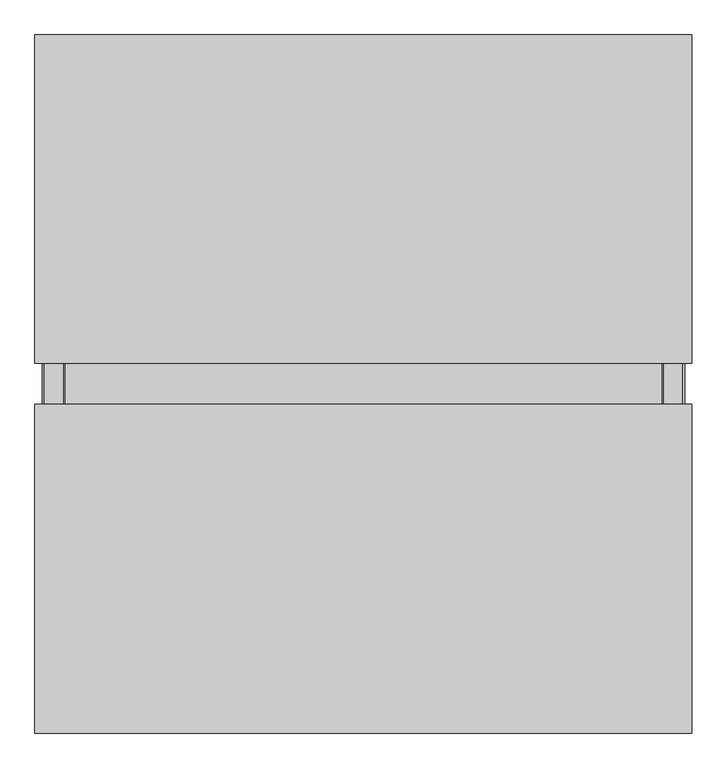
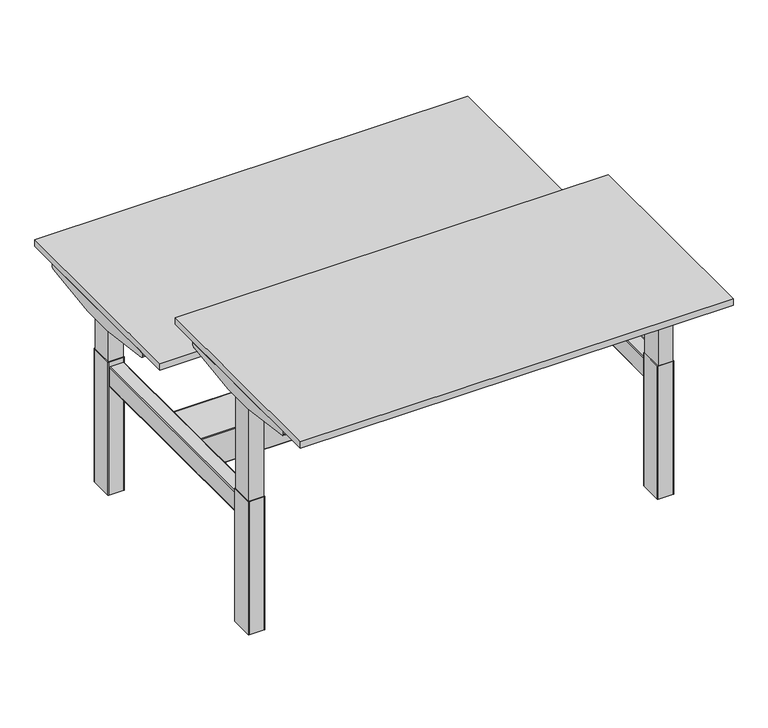
"""IFC4 building model written with IfcOpenShell, lengths in millimetres: furniture geometry."""

from ifc_helpers import new_model, si_unit, point, frame, frame_2d, origin, origin_with_axes, place, context, project, spatial, polyline, circle_curve, ellipse_curve, trimmed, segment, composite_curve, outline, extrude, source, transform, mapped, element, save
from ifc_brep_helpers import plane_surface, cylinder_surface, revolved_surface, advanced_brep


def furniture_d398310a(model_context):
    return source(origin(), model_context, "Body", "SolidModel", [
        extrude(outline(polyline([(789.3, 497.4890113), (789.3, 402.4890113), (-789.2862845, 402.4890113), (-789.2862845, 497.4890113), (789.3, 497.4890113)])), frame((0.0, 0.0, 667.9999162), z_axis=(0.0, 0.0, 1.0), x_axis=(1.0, 0.0, 0.0)), (0.0, 0.0, 1.0), 43.9052814),
        extrude(outline(polyline([(789.2996816, -402.4523074), (789.2996816, -497.4523074), (-789.2996816, -497.4523074), (-789.2996816, -402.4523074), (789.2996816, -402.4523074)])), frame((0.0, 0.0, 907.9999162), z_axis=(0.0, 0.0, 1.0), x_axis=(1.0, 0.0, 0.0)), (0.0, 0.0, 1.0), 43.9051969),
        extrude(outline(composite_curve([segment(trimmed(circle_curve(frame_2d((754.3259756, -465.4232078)), 20.0), [point((734.3259756, -465.4232078))], [point((774.3259756, -465.4232078))], False, "CARTESIAN"), True, "CONTINUOUS"), segment(trimmed(circle_curve(frame_2d((754.3259756, -465.4232078)), 20.0), [point((774.3259756, -465.4232078))], [point((734.3259756, -465.4232078))], False, "CARTESIAN"), True, "CONTINUOUS")], self_intersect=False)), origin_with_axes(), (0.0, 0.0, 1.0), 4.9999962),
        extrude(outline(composite_curve([segment(trimmed(circle_curve(frame_2d((754.3571158, 464.5429574)), 20.0), [point((734.3571158, 464.5429574))], [point((774.3571158, 464.5429574))], False, "CARTESIAN"), True, "CONTINUOUS"), segment(trimmed(circle_curve(frame_2d((754.3571158, 464.5429574)), 20.0), [point((774.3571158, 464.5429574))], [point((734.3571158, 464.5429574))], False, "CARTESIAN"), True, "CONTINUOUS")], self_intersect=False)), origin_with_axes(), (0.0, 0.0, 1.0), 4.9999962),
        extrude(outline(composite_curve([segment(trimmed(circle_curve(frame_2d((-754.5703164, 465.0740568)), 20.0), [point((-774.5703164, 465.0740568))], [point((-734.5703164, 465.0740568))], False, "CARTESIAN"), True, "CONTINUOUS"), segment(trimmed(circle_curve(frame_2d((-754.5703164, 465.0740568)), 20.0), [point((-734.5703164, 465.0740568))], [point((-774.5703164, 465.0740568))], False, "CARTESIAN"), True, "CONTINUOUS")], self_intersect=False)), origin_with_axes(), (0.0, 0.0, 1.0), 4.9999962),
        extrude(outline(composite_curve([segment(trimmed(circle_curve(frame_2d((-754.5475741, -466.1099029)), 20.0), [point((-774.5475741, -466.1099029))], [point((-734.5475741, -466.1099029))], False, "CARTESIAN"), True, "CONTINUOUS"), segment(trimmed(circle_curve(frame_2d((-754.5475741, -466.1099029)), 20.0), [point((-734.5475741, -466.1099029))], [point((-774.5475741, -466.1099029))], False, "CARTESIAN"), True, "CONTINUOUS")], self_intersect=False)), origin_with_axes(), (0.0, 0.0, 1.0), 5.0000038),
        extrude(outline(polyline([(800.0, -49.9892535), (800.0, -849.9892536), (-800.0, -849.9892536), (-800.0, -49.9892535), (800.0, -49.9892535)])), frame((0.0, 0.0, 954.90499), z_axis=(0.0, 0.0, 1.0), x_axis=(1.0, 0.0, 0.0)), (0.0, 0.0, 1.0), 25.09501),
        extrude(outline(composite_curve([segment(polyline([(-739.9996149, 951.9051132), (-159.9887626, 951.9051132), (-159.9887626, 943.6728683)]), True, "CONTINUOUS"), segment(trimmed(circle_curve(frame_2d((-169.9887626, 943.6728683)), 10.0), [point((-159.9887626, 943.6728683))], [point((-168.6813999, 933.7586965))], False, "CARTESIAN"), True, "CONTINUOUS"), segment(polyline([(-168.6813999, 933.7586965), (-387.4887848, 904.9049895), (-512.4892378, 904.9049895), (-731.3069776, 933.760062)]), True, "CONTINUOUS"), segment(trimmed(circle_curve(frame_2d((-729.9996149, 943.6742338)), 10.0), [point((-731.3069776, 933.760062))], [point((-739.9996149, 943.6742338))], False, "CARTESIAN"), True, "CONTINUOUS"), segment(polyline([(-739.9996149, 943.6742338), (-739.9996149, 951.9051132)]), True, "CONTINUOUS")], self_intersect=False)), frame((789.2996816, 0.0, 0.0), z_axis=(1.0, 0.0, 0.0), x_axis=(0.0, 1.0, 0.0)), (0.0, 0.0, 1.0), 9.9735414),
        extrude(outline(composite_curve([segment(polyline([(-739.9996149, 951.9051132), (-159.9887626, 951.9051132), (-159.9887626, 943.6728683)]), True, "CONTINUOUS"), segment(trimmed(circle_curve(frame_2d((-169.9887626, 943.6728683)), 10.0), [point((-159.9887626, 943.6728683))], [point((-168.6813999, 933.7586965))], False, "CARTESIAN"), True, "CONTINUOUS"), segment(polyline([(-168.6813999, 933.7586965), (-387.4887848, 904.9049895), (-512.4892378, 904.9049895), (-731.3069776, 933.760062)]), True, "CONTINUOUS"), segment(trimmed(circle_curve(frame_2d((-729.9996149, 943.6742338)), 10.0), [point((-731.3069776, 933.760062))], [point((-739.9996149, 943.6742338))], False, "CARTESIAN"), True, "CONTINUOUS"), segment(polyline([(-739.9996149, 943.6742338), (-739.9996149, 951.9051132)]), True, "CONTINUOUS")], self_intersect=False)), frame((-799.2732229, 0.0, 0.0), z_axis=(1.0, 0.0, 0.0), x_axis=(0.0, 1.0, 0.0)), (0.0, 0.0, 1.0), 9.9735414),
        extrude(outline(composite_curve([segment(polyline([(159.999644, 711.9051976), (739.9997912, 711.9051976), (739.9997912, 703.6717359)]), True, "CONTINUOUS"), segment(trimmed(circle_curve(frame_2d((729.9997912, 703.6717359)), 10.0), [point((739.9997912, 703.6717359))], [point((731.3071595, 693.7575648))], False, "CARTESIAN"), True, "CONTINUOUS"), segment(polyline([(731.3071595, 693.7575648), (512.5099562, 664.905074), (387.4680664, 664.905074), (168.6922757, 693.7547412)]), True, "CONTINUOUS"), segment(trimmed(circle_curve(frame_2d((169.999644, 703.6689123)), 10.0), [point((168.6922757, 693.7547412))], [point((159.999644, 703.6689123))], False, "CARTESIAN"), True, "CONTINUOUS"), segment(polyline([(159.999644, 703.6689123), (159.999644, 711.9051976)]), True, "CONTINUOUS")], self_intersect=False)), frame((789.3, 0.0, 0.0), z_axis=(1.0, 0.0, 0.0), x_axis=(0.0, 1.0, 0.0)), (0.0, 0.0, 1.0), 9.9731317),
        extrude(outline(composite_curve([segment(polyline([(159.999644, 711.9051976), (739.9997912, 711.9051976), (739.9997912, 703.6717359)]), True, "CONTINUOUS"), segment(trimmed(circle_curve(frame_2d((729.9997912, 703.6717359)), 10.0), [point((739.9997912, 703.6717359))], [point((731.3071595, 693.7575648))], False, "CARTESIAN"), True, "CONTINUOUS"), segment(polyline([(731.3071595, 693.7575648), (512.5099562, 664.905074), (387.4680664, 664.905074), (168.6922757, 693.7547412)]), True, "CONTINUOUS"), segment(trimmed(circle_curve(frame_2d((169.999644, 703.6689123)), 10.0), [point((168.6922757, 693.7547412))], [point((159.999644, 703.6689123))], False, "CARTESIAN"), True, "CONTINUOUS"), segment(polyline([(159.999644, 703.6689123), (159.999644, 711.9051976)]), True, "CONTINUOUS")], self_intersect=False)), frame((-799.2731317, 0.0, 0.0), z_axis=(1.0, 0.0, 0.0), x_axis=(0.0, 1.0, 0.0)), (0.0, 0.0, 1.0), 9.9868472),
        extrude(outline(polyline([(800.0, 849.9892536), (800.0, 50.0107464), (-800.0, 50.0107464), (-800.0, 849.9892536), (800.0, 849.9892536)])), frame((0.0, 0.0, 714.904979), z_axis=(0.0, 0.0, 1.0), x_axis=(1.0, 0.0, 0.0)), (0.0, 0.0, 1.0), 25.095021),
        extrude(outline(polyline([(728.7730675, 407.4889476), (728.7730675, 492.4890751), (783.7730709, 492.4890751), (783.7730709, 407.4889476), (728.7730675, 407.4889476)])), frame((0.0, 0.0, 524.9998985), z_axis=(0.0, 0.0, 1.0), x_axis=(1.0, 0.0, 0.0)), (0.0, 0.0, 1.0), 127.9855083),
        extrude(outline(polyline([(-728.7730675, 407.4889476), (-783.7730709, 407.4889476), (-783.7730709, 492.4890751), (-728.7730675, 492.4890751), (-728.7730675, 407.4889476)])), frame((0.0, 0.0, 524.9998985), z_axis=(0.0, 0.0, 1.0), x_axis=(1.0, 0.0, 0.0)), (0.0, 0.0, 1.0), 127.9855083),
        extrude(outline(polyline([(728.7730675, -407.4889476), (783.7730709, -407.4889476), (783.7730709, -492.4890751), (728.7730675, -492.4890751), (728.7730675, -407.4889476)])), frame((0.0, 0.0, 524.9998985), z_axis=(0.0, 0.0, 1.0), x_axis=(1.0, 0.0, 0.0)), (0.0, 0.0, 1.0), 367.9855083),
        extrude(outline(polyline([(-728.7730675, -407.4889476), (-728.7730675, -492.4890751), (-783.7730709, -492.4890751), (-783.7730709, -407.4889476), (-728.7730675, -407.4889476)])), frame((0.0, 0.0, 524.9998985), z_axis=(0.0, 0.0, 1.0), x_axis=(1.0, 0.0, 0.0)), (0.0, 0.0, 1.0), 367.9855083),
        extrude(outline(composite_curve([segment(polyline([(783.7231598, -494.4605705), (728.8024863, -494.4605705)]), True, "CONTINUOUS"), segment(trimmed(circle_curve(frame_2d((728.8024863, -492.4810964)), 1.9794742), [point((728.8024863, -494.4605705))], [point((726.8230121, -492.4810964))], False, "CARTESIAN"), True, "CONTINUOUS"), segment(polyline([(726.8230121, -492.4810964), (726.8230121, -407.5604217)]), True, "CONTINUOUS"), segment(trimmed(circle_curve(frame_2d((728.8230121, -407.5604217)), 2.0), [point((726.8230121, -407.5604217))], [point((728.8230121, -405.5604217))], False, "CARTESIAN"), True, "CONTINUOUS"), segment(polyline([(728.8230121, -405.5604217), (783.7231598, -405.5604217)]), True, "CONTINUOUS"), segment(trimmed(circle_curve(frame_2d((783.7231598, -407.5604217)), 2.0), [point((783.7231598, -405.5604217))], [point((785.7231598, -407.5604217))], False, "CARTESIAN"), True, "CONTINUOUS"), segment(polyline([(785.7231598, -407.5604217), (785.7231598, -492.4605705)]), True, "CONTINUOUS"), segment(trimmed(circle_curve(frame_2d((783.7231598, -492.4605705)), 2.0), [point((785.7231598, -492.4605705))], [point((783.7231598, -494.4605705))], False, "CARTESIAN"), True, "CONTINUOUS")], self_intersect=False)), frame((0.0, 0.0, 892.9854068), z_axis=(0.0, 0.0, 1.0), x_axis=(1.0, 0.0, 0.0)), (0.0, 0.0, 1.0), 15.0145094),
        extrude(outline(composite_curve([segment(trimmed(circle_curve(frame_2d((-783.7231598, -492.4605705)), 2.0), [point((-783.7231598, -494.4605705))], [point((-785.7231598, -492.4605705))], False, "CARTESIAN"), True, "CONTINUOUS"), segment(polyline([(-785.7231598, -492.4605705), (-785.7231598, -407.5604217)]), True, "CONTINUOUS"), segment(trimmed(circle_curve(frame_2d((-783.7231598, -407.5604217)), 2.0), [point((-785.7231598, -407.5604217))], [point((-783.7231598, -405.5604217))], False, "CARTESIAN"), True, "CONTINUOUS"), segment(polyline([(-783.7231598, -405.5604217), (-728.8230121, -405.5604217)]), True, "CONTINUOUS"), segment(trimmed(circle_curve(frame_2d((-728.8230121, -407.5604217)), 2.0), [point((-728.8230121, -405.5604217))], [point((-726.8230121, -407.5604217))], False, "CARTESIAN"), True, "CONTINUOUS"), segment(polyline([(-726.8230121, -407.5604217), (-726.8230121, -492.4810964)]), True, "CONTINUOUS"), segment(trimmed(circle_curve(frame_2d((-728.8024863, -492.4810964)), 1.9794742), [point((-726.8230121, -492.4810964))], [point((-728.8024863, -494.4605705))], False, "CARTESIAN"), True, "CONTINUOUS"), segment(polyline([(-728.8024863, -494.4605705), (-783.7231598, -494.4605705)]), True, "CONTINUOUS")], self_intersect=False)), frame((0.0, 0.0, 892.9854068), z_axis=(0.0, 0.0, 1.0), x_axis=(1.0, 0.0, 0.0)), (0.0, 0.0, 1.0), 15.0145094),
        extrude(outline(composite_curve([segment(trimmed(circle_curve(frame_2d((783.7231598, 492.4605705)), 2.0), [point((783.7231598, 494.4605705))], [point((785.7231598, 492.4605705))], False, "CARTESIAN"), True, "CONTINUOUS"), segment(polyline([(785.7231598, 492.4605705), (785.7231598, 407.5604217)]), True, "CONTINUOUS"), segment(trimmed(circle_curve(frame_2d((783.7231598, 407.5604217)), 2.0), [point((785.7231598, 407.5604217))], [point((783.7231598, 405.5604217))], False, "CARTESIAN"), True, "CONTINUOUS"), segment(polyline([(783.7231598, 405.5604217), (728.8230121, 405.5604217)]), True, "CONTINUOUS"), segment(trimmed(circle_curve(frame_2d((728.8230121, 407.5604217)), 2.0), [point((728.8230121, 405.5604217))], [point((726.8230121, 407.5604217))], False, "CARTESIAN"), True, "CONTINUOUS"), segment(polyline([(726.8230121, 407.5604217), (726.8230121, 492.4810964)]), True, "CONTINUOUS"), segment(trimmed(circle_curve(frame_2d((728.8024863, 492.4810964)), 1.9794742), [point((726.8230121, 492.4810964))], [point((728.8024863, 494.4605705))], False, "CARTESIAN"), True, "CONTINUOUS"), segment(polyline([(728.8024863, 494.4605705), (783.7231598, 494.4605705)]), True, "CONTINUOUS")], self_intersect=False)), frame((0.0, 0.0, 652.9854068), z_axis=(0.0, 0.0, 1.0), x_axis=(1.0, 0.0, 0.0)), (0.0, 0.0, 1.0), 15.0145094),
        extrude(outline(composite_curve([segment(polyline([(-783.7231598, 494.4605705), (-728.8024863, 494.4605705)]), True, "CONTINUOUS"), segment(trimmed(circle_curve(frame_2d((-728.8024863, 492.4810964)), 1.9794742), [point((-728.8024863, 494.4605705))], [point((-726.8230121, 492.4810964))], False, "CARTESIAN"), True, "CONTINUOUS"), segment(polyline([(-726.8230121, 492.4810964), (-726.8230121, 407.5604217)]), True, "CONTINUOUS"), segment(trimmed(circle_curve(frame_2d((-728.8230121, 407.5604217)), 2.0), [point((-726.8230121, 407.5604217))], [point((-728.8230121, 405.5604217))], False, "CARTESIAN"), True, "CONTINUOUS"), segment(polyline([(-728.8230121, 405.5604217), (-783.7231598, 405.5604217)]), True, "CONTINUOUS"), segment(trimmed(circle_curve(frame_2d((-783.7231598, 407.5604217)), 2.0), [point((-783.7231598, 405.5604217))], [point((-785.7231598, 407.5604217))], False, "CARTESIAN"), True, "CONTINUOUS"), segment(polyline([(-785.7231598, 407.5604217), (-785.7231598, 492.4605705)]), True, "CONTINUOUS"), segment(trimmed(circle_curve(frame_2d((-783.7231598, 492.4605705)), 2.0), [point((-785.7231598, 492.4605705))], [point((-783.7231598, 494.4605705))], False, "CARTESIAN"), True, "CONTINUOUS")], self_intersect=False)), frame((0.0, 0.0, 652.9854068), z_axis=(0.0, 0.0, 1.0), x_axis=(1.0, 0.0, 0.0)), (0.0, 0.0, 1.0), 15.0145094),
        extrude(outline(composite_curve([segment(trimmed(circle_curve(frame_2d((774.401199, 724.9931314)), 2.9956908), [point((771.4609454, 725.5667796))], [point((774.401199, 727.9888222))], False, "CARTESIAN"), True, "CONTINUOUS"), segment(polyline([(774.401199, 727.9888222), (799.2731317, 727.9888222), (799.2731317, 171.9888503), (774.4302518, 171.9888503)]), True, "CONTINUOUS"), segment(trimmed(circle_curve(frame_2d((774.4302518, 175.0197499)), 3.0308996), [point((774.4302518, 171.9888503))], [point((771.4554411, 174.4393589))], False, "CARTESIAN"), True, "CONTINUOUS"), segment(polyline([(771.4554411, 174.4393589), (729.2730387, 390.6464768), (729.2730387, 402.7888829), (789.2731314, 402.7888829), (789.2731314, 497.1888417), (729.2731281, 497.1888417), (729.2731281, 509.3316463), (771.4609454, 725.5667796)]), True, "CONTINUOUS")], self_intersect=False)), frame((0.0, 0.0, 711.904869), z_axis=(0.0, 0.0, 1.0), x_axis=(1.0, 0.0, 0.0)), (0.0, 0.0, 1.0), 3.0950275),
        extrude(outline(composite_curve([segment(polyline([(-771.4609454, 725.5667796), (-729.2731281, 509.3316463), (-729.2731281, 497.1888417), (-789.2731314, 497.1888417), (-789.2731314, 402.7888829), (-729.2730387, 402.7888829), (-729.2730387, 390.6464768), (-771.4554411, 174.4393589)]), True, "CONTINUOUS"), segment(trimmed(circle_curve(frame_2d((-774.4302518, 175.0197499)), 3.0308996), [point((-771.4554411, 174.4393589))], [point((-774.4302518, 171.9888503))], False, "CARTESIAN"), True, "CONTINUOUS"), segment(polyline([(-774.4302518, 171.9888503), (-799.2731317, 171.9888503), (-799.2731317, 727.9888222), (-774.401199, 727.9888222)]), True, "CONTINUOUS"), segment(trimmed(circle_curve(frame_2d((-774.401199, 724.9931314)), 2.9956908), [point((-774.401199, 727.9888222))], [point((-771.4609454, 725.5667796))], False, "CARTESIAN"), True, "CONTINUOUS")], self_intersect=False)), frame((0.0, 0.0, 711.904869), z_axis=(0.0, 0.0, 1.0), x_axis=(1.0, 0.0, 0.0)), (0.0, 0.0, 1.0), 3.0950275),
        extrude(outline(composite_curve([segment(polyline([(771.4609454, -725.5667796), (729.2731281, -509.3316463), (729.2731281, -497.1888417), (789.2731314, -497.1888417), (789.2731314, -402.7888829), (729.2730387, -402.7888829), (729.2730387, -390.6464768), (771.4554411, -174.4393589)]), True, "CONTINUOUS"), segment(trimmed(circle_curve(frame_2d((774.4302518, -175.0197499)), 3.0308996), [point((771.4554411, -174.4393589))], [point((774.4302518, -171.9888503))], False, "CARTESIAN"), True, "CONTINUOUS"), segment(polyline([(774.4302518, -171.9888503), (799.2731317, -171.9888503), (799.2731317, -727.9888222), (774.401199, -727.9888222)]), True, "CONTINUOUS"), segment(trimmed(circle_curve(frame_2d((774.401199, -724.9931314)), 2.9956908), [point((774.401199, -727.9888222))], [point((771.4609454, -725.5667796))], False, "CARTESIAN"), True, "CONTINUOUS")], self_intersect=False)), frame((0.0, 0.0, 951.904869), z_axis=(0.0, 0.0, 1.0), x_axis=(1.0, 0.0, 0.0)), (0.0, 0.0, 1.0), 3.0950275),
        extrude(outline(composite_curve([segment(trimmed(circle_curve(frame_2d((-774.401199, -724.9931314)), 2.9956908), [point((-771.4609454, -725.5667796))], [point((-774.401199, -727.9888222))], False, "CARTESIAN"), True, "CONTINUOUS"), segment(polyline([(-774.401199, -727.9888222), (-799.2731317, -727.9888222), (-799.2731317, -171.9888503), (-774.4302518, -171.9888503)]), True, "CONTINUOUS"), segment(trimmed(circle_curve(frame_2d((-774.4302518, -175.0197499)), 3.0308996), [point((-774.4302518, -171.9888503))], [point((-771.4554411, -174.4393589))], False, "CARTESIAN"), True, "CONTINUOUS"), segment(polyline([(-771.4554411, -174.4393589), (-729.2730387, -390.6464768), (-729.2730387, -402.7888829), (-789.2731314, -402.7888829), (-789.2731314, -497.1888417), (-729.2731281, -497.1888417), (-729.2731281, -509.3316463), (-771.4609454, -725.5667796)]), True, "CONTINUOUS")], self_intersect=False)), frame((0.0, 0.0, 951.904869), z_axis=(0.0, 0.0, 1.0), x_axis=(1.0, 0.0, 0.0)), (0.0, 0.0, 1.0), 3.0950275),
        advanced_brep(
        [(670.693953, 62.4893787, 402.6391062), (673.693953, 62.4893787, 402.6391062), (719.3523604, 62.4893787, 429.0), (716.3523604, 62.4893787, 429.0), (719.3523604, 12.5107464, 429.0), (716.3523604, 12.5107464, 429.0), (673.693953, 12.5107464, 402.6391062), (670.693953, 12.5107464, 402.6391062), (670.2298514, 14.5107464, 400.6391062), (667.2298514, 14.5107464, 400.6391062), (670.2298514, 60.4893787, 400.6391062), (667.2298514, 60.4893787, 400.6391062), (670.7451854, -12.4892536, 402.6686852), (673.7451854, -12.4892536, 402.6686852), (719.3523604, -12.4892536, 429.0), (716.3523604, -12.4892536, 429.0), (719.3523604, -62.5, 429.0), (716.3523604, -62.5, 429.0), (673.693953, -62.5, 402.6391062), (670.693953, -62.5, 402.6391062), (670.2298514, -60.5, 400.6391062), (667.2298514, -60.5, 400.6391062), (670.2298514, -14.5188326, 400.6391062), (667.2298514, -14.5188326, 400.6391062), (637.2669025, 86.7607498, 383.3399896), (724.9999735, 86.7607498, 433.9927017), (727.9999735, 86.7607498, 433.9927017), (640.2669025, 86.7607498, 383.3399896), (637.2669025, -86.7499541, 383.3399896), (640.2669025, -86.7499541, 383.3399896), (727.9999735, -86.7499541, 433.9927017), (724.9999735, -86.7499541, 433.9927017)],
        [
            (0, 1),
            (1, 2),
            (2, 3),
            (3, 0),
            (2, 4),
            (4, 5),
            (5, 3),
            (4, 6),
            (6, 7),
            (7, 5),
            (6, 8, ellipse_curve(frame((673.693953, 14.5107464, 402.6391062), z_axis=(0.5000000000002213, 0.0, -0.866025403784311), x_axis=(0.8660254037843109, 0.0, 0.5000000000002214)), 4.0, 2.0)),
            (8, 9),
            (9, 7, ellipse_curve(frame((670.693953, 14.5107464, 402.6391062), z_axis=(-0.500000000000222, 0.0, 0.8660254037843106), x_axis=(0.8660254037843104, 0.0, 0.500000000000222)), 4.0, 2.0)),
            (8, 10),
            (10, 11),
            (11, 9),
            (0, 11, ellipse_curve(frame((670.693953, 60.4893787, 402.6391062), z_axis=(-0.500000000000222, 0.0, 0.8660254037843106), x_axis=(0.8660254037843104, 0.0, 0.500000000000222)), 4.0, 2.0)),
            (10, 1, ellipse_curve(frame((673.693953, 60.4893787, 402.6391062), z_axis=(0.5000000000002213, 0.0, -0.866025403784311), x_axis=(0.8660254037843109, 0.0, 0.5000000000002214)), 4.0, 2.0)),
            (12, 13),
            (13, 14),
            (14, 15),
            (15, 12),
            (14, 16),
            (16, 17),
            (17, 15),
            (16, 18),
            (18, 19),
            (19, 17),
            (18, 20, ellipse_curve(frame((673.693953, -60.5, 402.6391062), z_axis=(0.5000000000002213, 0.0, -0.866025403784311), x_axis=(0.8660254037843109, 0.0, 0.5000000000002214)), 4.0, 2.0)),
            (20, 21),
            (21, 19, ellipse_curve(frame((670.693953, -60.5, 402.6391062), z_axis=(-0.500000000000222, 0.0, 0.8660254037843106), x_axis=(0.8660254037843104, 0.0, 0.500000000000222)), 4.0, 2.0)),
            (20, 22),
            (22, 23),
            (23, 21),
            (12, 23, ellipse_curve(frame((670.7451854, -14.5188326, 402.6686852), z_axis=(-0.500000000000222, 0.0, 0.8660254037843106), x_axis=(0.8660254037843104, 0.0, 0.500000000000222)), 4.059158, 2.029579)),
            (22, 13, ellipse_curve(frame((673.7451854, -14.5188326, 402.6686852), z_axis=(0.5000000000002213, 0.0, -0.866025403784311), x_axis=(0.8660254037843109, 0.0, 0.5000000000002214)), 4.059158, 2.029579)),
            (24, 25),
            (25, 26),
            (26, 27),
            (27, 24),
            (28, 29),
            (29, 30),
            (30, 31),
            (31, 28),
            (27, 29),
            (28, 24),
            (26, 30),
            (25, 31),
        ],
        [
            plane_surface(frame((993.0, 62.4893787, 402.6391062), z_axis=(0.0, -1.0, 0.0), x_axis=(-1.0, 0.0, 0.0))),
            plane_surface(frame((993.0, 62.4893787, 429.0), z_axis=(0.0, 0.0, -1.0), x_axis=(-1.0, 0.0, 0.0))),
            plane_surface(frame((993.0, 12.5107464, 429.0), z_axis=(0.0, 1.0, 0.0), x_axis=(-1.0, 0.0, 0.0))),
            revolved_surface(polyline([(677.1580546151372, 16.510746400000002, 402.6391062), (667.2298513848627, 16.510746400000002, 402.6391062)]), (-993.0, 14.5107464, 402.6391062), (1.0, 0.0, 0.0)),
            plane_surface(frame((993.0, 14.5107464, 400.6391062), z_axis=(0.0, 0.0, 1.0), x_axis=(-1.0, 0.0, 0.0))),
            revolved_surface(polyline([(677.1580546151372, 62.4893787, 402.6391062), (667.2298513848627, 62.4893787, 402.6391062)]), (-993.0, 60.4893787, 402.6391062), (1.0, 0.0, 0.0)),
            plane_surface(frame((993.0, -12.4892536, 402.6686852), z_axis=(0.0, -1.0, 0.0), x_axis=(-1.0, 0.0, 0.0))),
            plane_surface(frame((993.0, -12.4892536, 429.0), z_axis=(0.0, 0.0, -1.0), x_axis=(-1.0, 0.0, 0.0))),
            plane_surface(frame((993.0, -62.5, 429.0), z_axis=(0.0, 1.0, 0.0), x_axis=(-1.0, 0.0, 0.0))),
            revolved_surface(polyline([(677.1580546151372, -58.5, 402.6391062), (667.2298513848627, -58.5, 402.6391062)]), (0.0, -60.5, 402.6391062), (1.0, 0.0, 0.0)),
            plane_surface(frame((993.0, -60.5, 400.6391062), z_axis=(0.0, 0.0, 1.0), x_axis=(-1.0, 0.0, 0.0))),
            revolved_surface(polyline([(677.2605193459743, -12.4892536, 402.6686852), (667.2298514, -12.4892536, 402.6686852)]), (0.0, -14.5188326, 402.6686852), (1.0, 0.0, 0.0)),
            plane_surface(frame((724.9999735, 86.7607498, 433.9927017), z_axis=(0.0, 1.0000000000000002, 0.0), x_axis=(0.8660254037843106, 0.0, 0.500000000000222))),
            plane_surface(frame((724.9999735, -86.7499541, 433.9927017), z_axis=(0.0, -1.0000000000000002, 0.0), x_axis=(-0.8660254037843106, 0.0, -0.500000000000222))),
            plane_surface(frame((640.2669025, 86.7607498, 383.3399896), z_axis=(0.0, 0.0, -1.0), x_axis=(0.0, -1.0, 0.0))),
            plane_surface(frame((727.9999735, 86.7607498, 433.9927017), z_axis=(0.5000000000002213, 0.0, -0.866025403784311), x_axis=(0.0, -1.0, 0.0))),
            plane_surface(frame((724.9999735, 86.7607498, 433.9927017), z_axis=(0.0, 0.0, 1.0), x_axis=(0.0, -1.0, 0.0))),
            plane_surface(frame((637.2669025, 86.7607498, 383.3399896), z_axis=(-0.500000000000222, 0.0, 0.8660254037843106), x_axis=(0.0, -1.0, 0.0))),
        ],
        [
            (0, [[1, 2, 3, 4]]),
            (1, [[-3, 5, 6, 7]]),
            (2, [[-6, 8, 9, 10]]),
            (3, [[-9, 11, 12, 13]]),
            (4, [[-12, 14, 15, 16]]),
            (5, [[-1, 17, -15, 18]]),
            (6, [[19, 20, 21, 22]]),
            (7, [[-21, 23, 24, 25]]),
            (8, [[-24, 26, 27, 28]]),
            (9, [[-27, 29, 30, 31]]),
            (10, [[-30, 32, 33, 34]]),
            (11, [[-19, 35, -33, 36]]),
            (12, [[37, 38, 39, 40]]),
            (13, [[41, 42, 43, 44]]),
            (14, [[-40, 45, -41, 46]]),
            (15, [[-39, 47, -42, -45], [-2, -18, -14, -11, -8, -5], [-20, -36, -32, -29, -26, -23]]),
            (16, [[-38, 48, -43, -47]]),
            (17, [[-37, -46, -44, -48], [-4, -7, -10, -13, -16, -17], [-22, -25, -28, -31, -34, -35]]),
        ],
    ),
        advanced_brep(
        [(-637.2669025, 86.7607498, 383.3399896), (-640.2669025, 86.7607498, 383.3399896), (-727.9999735, 86.7607498, 433.9927017), (-724.9999735, 86.7607498, 433.9927017), (-637.2669025, -86.7499541, 383.3399896), (-724.9999735, -86.7499541, 433.9927017), (-727.9999735, -86.7499541, 433.9927017), (-640.2669025, -86.7499541, 383.3399896), (-673.693953, 62.4893787, 402.6391062), (-719.3523604, 62.4893787, 429.0), (-719.3523604, 12.5107464, 429.0), (-673.693953, 12.5107464, 402.6391062), (-670.2298514, 14.5107464, 400.6391062), (-670.2298514, 60.4893787, 400.6391062), (-673.7451854, -12.4892536, 402.6686852), (-719.3523604, -12.4892536, 429.0), (-719.3523604, -62.5, 429.0), (-673.693953, -62.5, 402.6391062), (-670.2298514, -60.5, 400.6391062), (-670.2298514, -14.5188326, 400.6391062), (-716.3523604, 62.4893787, 429.0), (-670.693953, 62.4893787, 402.6391062), (-667.2298514, 60.4893787, 400.6391062), (-667.2298514, 14.5107464, 400.6391062), (-670.693953, 12.5107464, 402.6391062), (-716.3523604, 12.5107464, 429.0), (-716.3523604, -12.4892536, 429.0), (-670.7451854, -12.4892536, 402.6686852), (-667.2298514, -14.5188326, 400.6391062), (-667.2298514, -60.5, 400.6391062), (-670.693953, -62.5, 402.6391062), (-716.3523604, -62.5, 429.0)],
        [
            (0, 1),
            (1, 2),
            (2, 3),
            (3, 0),
            (4, 5),
            (5, 6),
            (6, 7),
            (7, 4),
            (0, 4),
            (7, 1),
            (6, 2),
            (8, 9),
            (9, 10),
            (10, 11),
            (11, 12, ellipse_curve(frame((-673.693953, 14.5107464, 402.6391062), z_axis=(0.4999999999999993, 0.0, 0.8660254037844392), x_axis=(0.8660254037844392, 0.0, -0.4999999999999994)), 4.0, 2.0)),
            (12, 13),
            (13, 8, ellipse_curve(frame((-673.693953, 60.4893787, 402.6391062), z_axis=(0.4999999999999993, 0.0, 0.8660254037844392), x_axis=(0.8660254037844392, 0.0, -0.4999999999999994)), 4.0, 2.0)),
            (14, 15),
            (15, 16),
            (16, 17),
            (17, 18, ellipse_curve(frame((-673.693953, -60.5, 402.6391062), z_axis=(0.4999999999999993, 0.0, 0.8660254037844392), x_axis=(0.8660254037844392, 0.0, -0.4999999999999994)), 4.0, 2.0)),
            (18, 19),
            (19, 14, ellipse_curve(frame((-673.7451854, -14.5188326, 402.6686852), z_axis=(0.4999999999999993, 0.0, 0.8660254037844392), x_axis=(0.8660254037844392, 0.0, -0.4999999999999994)), 4.059158, 2.029579)),
            (5, 3),
            (20, 21),
            (21, 22, ellipse_curve(frame((-670.693953, 60.4893787, 402.6391062), z_axis=(-0.49999999999999983, 0.0, -0.8660254037844387), x_axis=(0.8660254037844388, 0.0, -0.4999999999999997)), 4.0, 2.0)),
            (22, 23),
            (23, 24, ellipse_curve(frame((-670.693953, 14.5107464, 402.6391062), z_axis=(-0.49999999999999983, 0.0, -0.8660254037844387), x_axis=(0.8660254037844388, 0.0, -0.4999999999999997)), 4.0, 2.0)),
            (24, 25),
            (25, 20),
            (26, 27),
            (27, 28, ellipse_curve(frame((-670.7451854, -14.5188326, 402.6686852), z_axis=(-0.49999999999999983, 0.0, -0.8660254037844387), x_axis=(0.8660254037844388, 0.0, -0.4999999999999997)), 4.059158, 2.029579)),
            (28, 29),
            (29, 30, ellipse_curve(frame((-670.693953, -60.5, 402.6391062), z_axis=(-0.49999999999999983, 0.0, -0.8660254037844387), x_axis=(0.8660254037844388, 0.0, -0.4999999999999997)), 4.0, 2.0)),
            (30, 31),
            (31, 26),
            (8, 21),
            (20, 9),
            (25, 10),
            (24, 11),
            (23, 12),
            (22, 13),
            (14, 27),
            (26, 15),
            (31, 16),
            (30, 17),
            (29, 18),
            (28, 19),
        ],
        [
            plane_surface(frame((-640.2669025, 86.7607498, 383.3399896), z_axis=(0.0, 1.0, 0.0), x_axis=(-1.0, 0.0, 0.0))),
            plane_surface(frame((-640.2669025, -86.7499541, 383.3399896), z_axis=(0.0, -1.0, 0.0), x_axis=(1.0, 0.0, 0.0))),
            plane_surface(frame((-637.2669025, 86.7607498, 383.3399896), z_axis=(0.0, 0.0, -1.0), x_axis=(0.0, -1.0, 0.0))),
            plane_surface(frame((-640.2669025, 86.7607498, 383.3399896), z_axis=(-0.4999999999999993, 0.0, -0.8660254037844392), x_axis=(0.0, -1.0, 0.0))),
            plane_surface(frame((-727.9999735, 86.7607498, 433.9927017), z_axis=(0.0, 0.0, 1.0), x_axis=(0.0, -1.0, 0.0))),
            plane_surface(frame((-724.9999735, 86.7607498, 433.9927017), z_axis=(0.49999999999999983, 0.0, 0.8660254037844387), x_axis=(0.0, -1.0, 0.0))),
            plane_surface(frame((993.0, 62.4893787, 402.6391062), z_axis=(0.0, -1.0, 0.0), x_axis=(-1.0, 0.0, 0.0))),
            plane_surface(frame((993.0, 62.4893787, 429.0), z_axis=(0.0, 0.0, -1.0), x_axis=(-1.0, 0.0, 0.0))),
            plane_surface(frame((993.0, 12.5107464, 429.0), z_axis=(0.0, 1.0, 0.0), x_axis=(-1.0, 0.0, 0.0))),
            revolved_surface(polyline([(-667.2298513848623, 16.510746400000002, 402.6391062), (-677.1580546151376, 16.510746400000002, 402.6391062)]), (-993.0, 14.5107464, 402.6391062), (1.0, 0.0, 0.0)),
            plane_surface(frame((993.0, 14.5107464, 400.6391062), z_axis=(0.0, 0.0, 1.0), x_axis=(-1.0, 0.0, 0.0))),
            revolved_surface(polyline([(-667.2298513848623, 62.4893787, 402.6391062), (-677.1580546151376, 62.4893787, 402.6391062)]), (-993.0, 60.4893787, 402.6391062), (1.0, 0.0, 0.0)),
            plane_surface(frame((993.0, -12.4892536, 402.6686852), z_axis=(0.0, -1.0, 0.0), x_axis=(-1.0, 0.0, 0.0))),
            plane_surface(frame((993.0, -12.4892536, 429.0), z_axis=(0.0, 0.0, -1.0), x_axis=(-1.0, 0.0, 0.0))),
            plane_surface(frame((993.0, -62.5, 429.0), z_axis=(0.0, 1.0, 0.0), x_axis=(-1.0, 0.0, 0.0))),
            revolved_surface(polyline([(-667.2298513848622, -58.5, 402.6391062), (-677.1580546151378, -58.5, 402.6391062)]), (0.0, -60.5, 402.6391062), (1.0, 0.0, 0.0)),
            plane_surface(frame((993.0, -60.5, 400.6391062), z_axis=(0.0, 0.0, 1.0), x_axis=(-1.0, 0.0, 0.0))),
            revolved_surface(polyline([(-667.2298514, -12.4892536, 402.6686852), (-677.2605193459748, -12.4892536, 402.6686852)]), (0.0, -14.5188326, 402.6686852), (1.0, 0.0, 0.0)),
        ],
        [
            (0, [[1, 2, 3, 4]]),
            (1, [[5, 6, 7, 8]]),
            (2, [[-1, 9, -8, 10]]),
            (3, [[-2, -10, -7, 11], [12, 13, 14, 15, 16, 17], [18, 19, 20, 21, 22, 23]]),
            (4, [[-3, -11, -6, 24]]),
            (5, [[-4, -24, -5, -9], [25, 26, 27, 28, 29, 30], [31, 32, 33, 34, 35, 36]]),
            (6, [[37, -25, 38, -12]]),
            (7, [[-38, -30, 39, -13]]),
            (8, [[-39, -29, 40, -14]]),
            (9, [[-40, -28, 41, -15]]),
            (10, [[-41, -27, 42, -16]]),
            (11, [[-37, -17, -42, -26]]),
            (12, [[43, -31, 44, -18]]),
            (13, [[-44, -36, 45, -19]]),
            (14, [[-45, -35, 46, -20]]),
            (15, [[-46, -34, 47, -21]]),
            (16, [[-47, -33, 48, -22]]),
            (17, [[-43, -23, -48, -32]]),
        ],
    ),
        advanced_brep(
        [(727.9999735, -86.2607005, 504.5900561), (727.9999735, -88.7607005, 502.0900561), (727.9999735, -88.7607005, 433.9927017), (727.9999735, -86.7607005, 433.9927017), (727.9999735, -86.7607005, 502.0900561), (727.9999735, -86.2607005, 502.5900561), (727.9999735, 86.2607005, 502.5900561), (727.9999735, 86.7607005, 502.0900561), (727.9999735, 86.7607005, 433.9927017), (727.9999735, 88.7607005, 433.9927017), (727.9999735, 88.7607005, 502.0900561), (727.9999735, 86.2607005, 504.5900561), (-727.9999735, -86.2607005, 504.5900561), (-727.9999735, 86.2607005, 504.5900561), (-727.9999735, 88.7607005, 502.0900561), (-727.9999735, 88.7607005, 433.9927017), (-727.9999735, 86.7607005, 433.9927017), (-727.9999735, 86.7607005, 502.0900561), (-727.9999735, 86.2607005, 502.5900561), (-727.9999735, -86.2607005, 502.5900561), (-727.9999735, -86.7607005, 502.0900561), (-727.9999735, -86.7607005, 433.9927017), (-727.9999735, -88.7607005, 433.9927017), (-727.9999735, -88.7607005, 502.0900561), (-641.1329279, -88.7607005, 383.8399896), (641.1329279, -88.7607005, 383.8399896), (-636.8028009, -86.2607005, 381.3399896), (636.8028009, -86.2607005, 381.3399896), (-636.8028009, 86.2607005, 381.3399896), (636.8028009, 86.2607005, 381.3399896), (-641.1329279, 88.7607005, 383.8399896), (641.1329279, 88.7607005, 383.8399896), (641.1329279, 86.7607005, 383.8399896), (-641.1329279, 86.7607005, 383.8399896), (-640.2669025, 86.2607005, 383.3399896), (640.2669025, 86.2607005, 383.3399896), (-640.2669025, -86.2607005, 383.3399896), (640.2669025, -86.2607005, 383.3399896), (-641.1329279, -86.7607005, 383.8399896), (641.1329279, -86.7607005, 383.8399896)],
        [
            (0, 1, circle_curve(frame((727.9999735, -86.2607005, 502.0900561), z_axis=(1.0, 0.0, 0.0), x_axis=(0.0, 1.0, 0.0)), 2.5)),
            (1, 2),
            (2, 3),
            (3, 4),
            (4, 5, circle_curve(frame((727.9999735, -86.2607005, 502.0900561), z_axis=(-1.0, 0.0, 0.0), x_axis=(0.0, 1.0, 0.0)), 0.5)),
            (5, 6),
            (6, 7, circle_curve(frame((727.9999735, 86.2607005, 502.0900561), z_axis=(-1.0, 0.0, 0.0), x_axis=(0.0, 1.0, 0.0)), 0.5)),
            (7, 8),
            (8, 9),
            (9, 10),
            (10, 11, circle_curve(frame((727.9999735, 86.2607005, 502.0900561), z_axis=(1.0, 0.0, 0.0), x_axis=(0.0, 1.0, 0.0)), 2.5)),
            (11, 0),
            (12, 13),
            (13, 14, circle_curve(frame((-727.9999735, 86.2607005, 502.0900561), z_axis=(-1.0, 0.0, 0.0), x_axis=(0.0, 1.0, 0.0)), 2.5)),
            (14, 15),
            (15, 16),
            (16, 17),
            (17, 18, circle_curve(frame((-727.9999735, 86.2607005, 502.0900561), z_axis=(1.0, 0.0, 0.0), x_axis=(0.0, 1.0, 0.0)), 0.5)),
            (18, 19),
            (19, 20, circle_curve(frame((-727.9999735, -86.2607005, 502.0900561), z_axis=(1.0, 0.0, 0.0), x_axis=(0.0, 1.0, 0.0)), 0.5)),
            (20, 21),
            (21, 22),
            (22, 23),
            (23, 12, circle_curve(frame((-727.9999735, -86.2607005, 502.0900561), z_axis=(-1.0, 0.0, 0.0), x_axis=(0.0, 1.0, 0.0)), 2.5)),
            (0, 12),
            (23, 1),
            (22, 24),
            (24, 25),
            (25, 2),
            (24, 26, ellipse_curve(frame((-641.1329279, -86.2607005, 383.8399896), z_axis=(0.5000000000000047, 0.0, 0.866025403784436), x_axis=(0.8660254037844359, 0.0, -0.5000000000000047)), 5.0, 2.5)),
            (26, 27),
            (27, 25, ellipse_curve(frame((641.1329279, -86.2607005, 383.8399896), z_axis=(-0.500000000000057, 0.0, 0.8660254037844057), x_axis=(0.8660254037844057, 0.0, 0.500000000000057)), 5.0, 2.5)),
            (26, 28),
            (28, 29),
            (29, 27),
            (28, 30, ellipse_curve(frame((-641.1329279, 86.2607005, 383.8399896), z_axis=(0.5000000000000047, 0.0, 0.866025403784436), x_axis=(0.8660254037844359, 0.0, -0.5000000000000047)), 5.0, 2.5)),
            (30, 31),
            (31, 29, ellipse_curve(frame((641.1329279, 86.2607005, 383.8399896), z_axis=(-0.500000000000057, 0.0, 0.8660254037844057), x_axis=(0.8660254037844057, 0.0, 0.500000000000057)), 5.0, 2.5)),
            (14, 10),
            (9, 31),
            (30, 15),
            (13, 11),
            (32, 33),
            (33, 34, ellipse_curve(frame((-641.1329279, 86.2607005, 383.8399896), z_axis=(-0.5000000000000047, 0.0, -0.866025403784436), x_axis=(-0.8660254037844359, 0.0, 0.5000000000000047)), 1.0, 0.5)),
            (34, 35),
            (35, 32, ellipse_curve(frame((641.1329279, 86.2607005, 383.8399896), z_axis=(0.500000000000057, 0.0, -0.8660254037844057), x_axis=(-0.8660254037844057, 0.0, -0.500000000000057)), 1.0, 0.5)),
            (34, 36),
            (36, 37),
            (37, 35),
            (36, 38, ellipse_curve(frame((-641.1329279, -86.2607005, 383.8399896), z_axis=(-0.5000000000000047, 0.0, -0.866025403784436), x_axis=(-0.8660254037844359, 0.0, 0.5000000000000047)), 1.0, 0.5)),
            (38, 39),
            (39, 37, ellipse_curve(frame((641.1329279, -86.2607005, 383.8399896), z_axis=(0.500000000000057, 0.0, -0.8660254037844057), x_axis=(-0.8660254037844057, 0.0, -0.500000000000057)), 1.0, 0.5)),
            (20, 4),
            (3, 39),
            (38, 21),
            (19, 5),
            (18, 6),
            (17, 7),
            (16, 33),
            (32, 8),
        ],
        [
            plane_surface(frame((727.9999735, -83.7607005, 502.0900561), z_axis=(1.0, 0.0, 0.0), x_axis=(0.0, 0.0, 1.0))),
            plane_surface(frame((-727.9999735, -83.7607005, 502.0900561), z_axis=(-1.0, 0.0, 0.0), x_axis=(0.0, 0.0, -1.0))),
            cylinder_surface(frame((-727.9999735, -86.2607005, 502.0900561), z_axis=(1.0, 0.0, 0.0), x_axis=(0.0, 1.0, 0.0)), 2.5),
            plane_surface(frame((727.9999735, -88.7607005, 502.0900561), z_axis=(0.0, -1.0, 0.0), x_axis=(-1.0, 0.0, 0.0))),
            cylinder_surface(frame((-727.9999735, -86.2607005, 383.8399896), z_axis=(1.0, 0.0, 0.0), x_axis=(0.0, 1.0, 0.0)), 2.5),
            plane_surface(frame((727.9999735, -86.2607005, 381.3399896), z_axis=(0.0, 0.0, -1.0), x_axis=(-1.0, 0.0, 0.0))),
            cylinder_surface(frame((-727.9999735, 86.2607005, 383.8399896), z_axis=(1.0, 0.0, 0.0), x_axis=(0.0, 1.0, 0.0)), 2.5),
            plane_surface(frame((727.9999735, 88.7607005, 383.8399896), z_axis=(0.0, 1.0, 0.0), x_axis=(-1.0, 0.0, 0.0))),
            cylinder_surface(frame((-727.9999735, 86.2607005, 502.0900561), z_axis=(1.0, 0.0, 0.0), x_axis=(0.0, 1.0, 0.0)), 2.5),
            plane_surface(frame((727.9999735, 86.2607005, 504.5900561), z_axis=(0.0, 0.0, 1.0), x_axis=(-1.0, 0.0, 0.0))),
            revolved_surface(polyline([(-641.9989533037844, 86.7607005, 383.8399896), (641.9989533037844, 86.7607005, 383.8399896)]), (0.0, 86.2607005, 383.8399896), (-1.0, 0.0, 0.0)),
            plane_surface(frame((727.9999735, 86.2607005, 383.3399896), z_axis=(0.0, 0.0, 1.0), x_axis=(-1.0, 0.0, 0.0))),
            revolved_surface(polyline([(-641.9989533037844, -85.7607005, 383.8399896), (641.9989533037844, -85.7607005, 383.8399896)]), (0.0, -86.2607005, 383.8399896), (-1.0, 0.0, 0.0)),
            plane_surface(frame((727.9999735, -86.7607005, 383.8399896), z_axis=(0.0, 1.0, 0.0), x_axis=(-1.0, 0.0, 0.0))),
            revolved_surface(polyline([(-727.9999735, -85.7607005, 502.0900561), (727.9999735, -85.7607005, 502.0900561)]), (0.0, -86.2607005, 502.0900561), (-1.0, 0.0, 0.0)),
            plane_surface(frame((727.9999735, -86.2607005, 502.5900561), z_axis=(0.0, 0.0, -1.0), x_axis=(-1.0, 0.0, 0.0))),
            revolved_surface(polyline([(-727.9999735, 86.7607005, 502.0900561), (727.9999735, 86.7607005, 502.0900561)]), (0.0, 86.2607005, 502.0900561), (-1.0, 0.0, 0.0)),
            plane_surface(frame((727.9999735, 86.7607005, 502.0900561), z_axis=(0.0, -1.0, 0.0), x_axis=(-1.0, 0.0, 0.0))),
            plane_surface(frame((-732.9316207, 146.8168151, 436.8399896), z_axis=(-0.5000000000000047, 0.0, -0.866025403784436), x_axis=(0.0, -1.0, 0.0))),
            plane_surface(frame((620.3483182, 146.8168151, 371.8399896), z_axis=(0.500000000000057, 0.0, -0.8660254037844057), x_axis=(0.0, -1.0, 0.0))),
        ],
        [
            (0, [[1, 2, 3, 4, 5, 6, 7, 8, 9, 10, 11, 12]]),
            (1, [[13, 14, 15, 16, 17, 18, 19, 20, 21, 22, 23, 24]]),
            (2, [[-1, 25, -24, 26]]),
            (3, [[-26, -23, 27, 28, 29, -2]]),
            (4, [[-28, 30, 31, 32]]),
            (5, [[-31, 33, 34, 35]]),
            (6, [[-34, 36, 37, 38]]),
            (7, [[39, -10, 40, -37, 41, -15]]),
            (8, [[-11, -39, -14, 42]]),
            (9, [[-12, -42, -13, -25]]),
            (10, [[43, 44, 45, 46]]),
            (11, [[-45, 47, 48, 49]]),
            (12, [[-48, 50, 51, 52]]),
            (13, [[53, -4, 54, -51, 55, -21]]),
            (14, [[-5, -53, -20, 56]]),
            (15, [[-6, -56, -19, 57]]),
            (16, [[-7, -57, -18, 58]]),
            (17, [[-58, -17, 59, -43, 60, -8]]),
            (18, [[-16, -41, -36, -33, -30, -27, -22, -55, -50, -47, -44, -59]]),
            (19, [[-3, -29, -32, -35, -38, -40, -9, -60, -46, -49, -52, -54]]),
        ],
    ),
        extrude(outline(composite_curve([segment(polyline([(786.2730504, -407.4473506), (786.2730504, -492.4862293)]), True, "CONTINUOUS"), segment(trimmed(circle_curve(frame_2d((783.770379, -492.4862293)), 2.5026714), [point((786.2730504, -492.4862293))], [point((783.770379, -494.9889007))], False, "CARTESIAN"), True, "CONTINUOUS"), segment(polyline([(783.770379, -494.9889007), (728.8012796, -494.9889007)]), True, "CONTINUOUS"), segment(trimmed(circle_curve(frame_2d((728.8012796, -492.4608126)), 2.5280882), [point((728.8012796, -494.9889007))], [point((726.2731914, -492.4608126))], False, "CARTESIAN"), True, "CONTINUOUS"), segment(polyline([(726.2731914, -492.4608126), (726.2731914, -407.4626015)]), True, "CONTINUOUS"), segment(trimmed(circle_curve(frame_2d((728.7466574, -407.4626015)), 2.4734659), [point((726.2731914, -407.4626015))], [point((728.7466574, -404.9891356))], False, "CARTESIAN"), True, "CONTINUOUS"), segment(polyline([(728.7466574, -404.9891356), (783.8148354, -404.9891356)]), True, "CONTINUOUS"), segment(trimmed(circle_curve(frame_2d((783.8148354, -407.4473506)), 2.458215), [point((783.8148354, -404.9891356))], [point((786.2730504, -407.4473506))], False, "CARTESIAN"), True, "CONTINUOUS")], self_intersect=False)), frame((0.0, 0.0, 4.9999962), z_axis=(0.0, 0.0, 1.0), x_axis=(1.0, 0.0, 0.0)), (0.0, 0.0, 1.0), 519.9999023),
        extrude(outline(composite_curve([segment(trimmed(circle_curve(frame_2d((783.8148354, 407.4473506)), 2.458215), [point((786.2730504, 407.4473506))], [point((783.8148354, 404.9891356))], False, "CARTESIAN"), True, "CONTINUOUS"), segment(polyline([(783.8148354, 404.9891356), (728.7466574, 404.9891356)]), True, "CONTINUOUS"), segment(trimmed(circle_curve(frame_2d((728.7466574, 407.4626015)), 2.4734659), [point((728.7466574, 404.9891356))], [point((726.2731914, 407.4626015))], False, "CARTESIAN"), True, "CONTINUOUS"), segment(polyline([(726.2731914, 407.4626015), (726.2731914, 492.4608126)]), True, "CONTINUOUS"), segment(trimmed(circle_curve(frame_2d((728.8012796, 492.4608126)), 2.5280882), [point((726.2731914, 492.4608126))], [point((728.8012796, 494.9889007))], False, "CARTESIAN"), True, "CONTINUOUS"), segment(polyline([(728.8012796, 494.9889007), (783.770379, 494.9889007)]), True, "CONTINUOUS"), segment(trimmed(circle_curve(frame_2d((783.770379, 492.4862293)), 2.5026714), [point((783.770379, 494.9889007))], [point((786.2730504, 492.4862293))], False, "CARTESIAN"), True, "CONTINUOUS"), segment(polyline([(786.2730504, 492.4862293), (786.2730504, 407.4473506)]), True, "CONTINUOUS")], self_intersect=False)), frame((0.0, 0.0, 4.9999962), z_axis=(0.0, 0.0, 1.0), x_axis=(1.0, 0.0, 0.0)), (0.0, 0.0, 1.0), 519.9999023),
        extrude(outline(composite_curve([segment(trimmed(circle_curve(frame_2d((433.0, 778.0)), 4.0), [point((429.0, 778.0))], [point((433.0, 782.0))], False, "CARTESIAN"), True, "CONTINUOUS"), segment(polyline([(433.0, 782.0), (502.0387745, 782.0)]), True, "CONTINUOUS"), segment(trimmed(circle_curve(frame_2d((502.0387745, 778.0387745)), 3.9612255), [point((502.0387745, 782.0))], [point((506.0, 778.0387745))], False, "CARTESIAN"), True, "CONTINUOUS"), segment(polyline([(506.0, 778.0387745), (506.0, 731.0)]), True, "CONTINUOUS"), segment(trimmed(circle_curve(frame_2d((502.0, 731.0)), 4.0), [point((506.0, 731.0))], [point((502.0, 727.0))], False, "CARTESIAN"), True, "CONTINUOUS"), segment(polyline([(502.0, 727.0), (433.0, 727.0)]), True, "CONTINUOUS"), segment(trimmed(circle_curve(frame_2d((433.0, 731.0)), 4.0), [point((433.0, 727.0))], [point((429.0, 731.0))], False, "CARTESIAN"), True, "CONTINUOUS"), segment(polyline([(429.0, 731.0), (429.0, 778.0)]), True, "CONTINUOUS")], self_intersect=False)), frame((0.0, -404.978263, 0.0), z_axis=(0.0, 1.0, 0.0), x_axis=(0.0, 0.0, 1.0)), (0.0, 0.0, 1.0), 809.9995117),
        extrude(outline(composite_curve([segment(trimmed(circle_curve(frame_2d((-783.8148354, -407.4473506)), 2.458215), [point((-786.2730504, -407.4473506))], [point((-783.8148354, -404.9891356))], False, "CARTESIAN"), True, "CONTINUOUS"), segment(polyline([(-783.8148354, -404.9891356), (-728.7466574, -404.9891356)]), True, "CONTINUOUS"), segment(trimmed(circle_curve(frame_2d((-728.7466574, -407.4626015)), 2.4734659), [point((-728.7466574, -404.9891356))], [point((-726.2731914, -407.4626015))], False, "CARTESIAN"), True, "CONTINUOUS"), segment(polyline([(-726.2731914, -407.4626015), (-726.2731914, -492.4608126)]), True, "CONTINUOUS"), segment(trimmed(circle_curve(frame_2d((-728.8012796, -492.4608126)), 2.5280882), [point((-726.2731914, -492.4608126))], [point((-728.8012796, -494.9889007))], False, "CARTESIAN"), True, "CONTINUOUS"), segment(polyline([(-728.8012796, -494.9889007), (-783.770379, -494.9889007)]), True, "CONTINUOUS"), segment(trimmed(circle_curve(frame_2d((-783.770379, -492.4862293)), 2.5026714), [point((-783.770379, -494.9889007))], [point((-786.2730504, -492.4862293))], False, "CARTESIAN"), True, "CONTINUOUS"), segment(polyline([(-786.2730504, -492.4862293), (-786.2730504, -407.4473506)]), True, "CONTINUOUS")], self_intersect=False)), frame((0.0, 0.0, 4.9999962), z_axis=(0.0, 0.0, 1.0), x_axis=(1.0, 0.0, 0.0)), (0.0, 0.0, 1.0), 519.9999023),
        extrude(outline(composite_curve([segment(polyline([(-786.2730504, 407.4473506), (-786.2730504, 492.4862293)]), True, "CONTINUOUS"), segment(trimmed(circle_curve(frame_2d((-783.770379, 492.4862293)), 2.5026714), [point((-786.2730504, 492.4862293))], [point((-783.770379, 494.9889007))], False, "CARTESIAN"), True, "CONTINUOUS"), segment(polyline([(-783.770379, 494.9889007), (-728.8012796, 494.9889007)]), True, "CONTINUOUS"), segment(trimmed(circle_curve(frame_2d((-728.8012796, 492.4608126)), 2.5280882), [point((-728.8012796, 494.9889007))], [point((-726.2731914, 492.4608126))], False, "CARTESIAN"), True, "CONTINUOUS"), segment(polyline([(-726.2731914, 492.4608126), (-726.2731914, 407.4626015)]), True, "CONTINUOUS"), segment(trimmed(circle_curve(frame_2d((-728.7466574, 407.4626015)), 2.4734659), [point((-726.2731914, 407.4626015))], [point((-728.7466574, 404.9891356))], False, "CARTESIAN"), True, "CONTINUOUS"), segment(polyline([(-728.7466574, 404.9891356), (-783.8148354, 404.9891356)]), True, "CONTINUOUS"), segment(trimmed(circle_curve(frame_2d((-783.8148354, 407.4473506)), 2.458215), [point((-783.8148354, 404.9891356))], [point((-786.2730504, 407.4473506))], False, "CARTESIAN"), True, "CONTINUOUS")], self_intersect=False)), frame((0.0, 0.0, 4.9999962), z_axis=(0.0, 0.0, 1.0), x_axis=(1.0, 0.0, 0.0)), (0.0, 0.0, 1.0), 519.9999023),
        extrude(outline(composite_curve([segment(polyline([(429.0, -778.0), (429.0, -731.0)]), True, "CONTINUOUS"), segment(trimmed(circle_curve(frame_2d((433.0, -731.0)), 4.0), [point((429.0, -731.0))], [point((433.0, -727.0))], False, "CARTESIAN"), True, "CONTINUOUS"), segment(polyline([(433.0, -727.0), (502.0, -727.0)]), True, "CONTINUOUS"), segment(trimmed(circle_curve(frame_2d((502.0, -731.0)), 4.0), [point((502.0, -727.0))], [point((506.0, -731.0))], False, "CARTESIAN"), True, "CONTINUOUS"), segment(polyline([(506.0, -731.0), (506.0, -778.0387745)]), True, "CONTINUOUS"), segment(trimmed(circle_curve(frame_2d((502.0387745, -778.0387745)), 3.9612255), [point((506.0, -778.0387745))], [point((502.0387745, -782.0))], False, "CARTESIAN"), True, "CONTINUOUS"), segment(polyline([(502.0387745, -782.0), (433.0, -782.0)]), True, "CONTINUOUS"), segment(trimmed(circle_curve(frame_2d((433.0, -778.0)), 4.0), [point((433.0, -782.0))], [point((429.0, -778.0))], False, "CARTESIAN"), True, "CONTINUOUS")], self_intersect=False)), frame((0.0, -404.978263, 0.0), z_axis=(0.0, 1.0, 0.0), x_axis=(0.0, 0.0, 1.0)), (0.0, 0.0, 1.0), 809.9995117),
    ])


if __name__ == "__main__":
    model = new_model("IFC4")
    model_context = context("Model", 3, world=origin())
    ifc_project = project(units=[si_unit("LENGTHUNIT", "METRE", prefix="MILLI")], contexts=[model_context])
    site = spatial("IfcSite", under=ifc_project)
    building = spatial("IfcBuilding", under=site)
    placement = place(None, origin())
    furniture_shape = furniture_d398310a(model_context)
    element("IfcFurniture", 1, at=placement, inside=building, context=model_context, shape_type="MappedRepresentation", body=[
        mapped(furniture_shape, transform((0.0, 0.0, 0.0), x_axis=(1.0, 0.0, 0.0), y_axis=(0.0, 1.0, 0.0), z_axis=(0.0, 0.0, 1.0))),
    ])
    save(model, "model.ifc")
